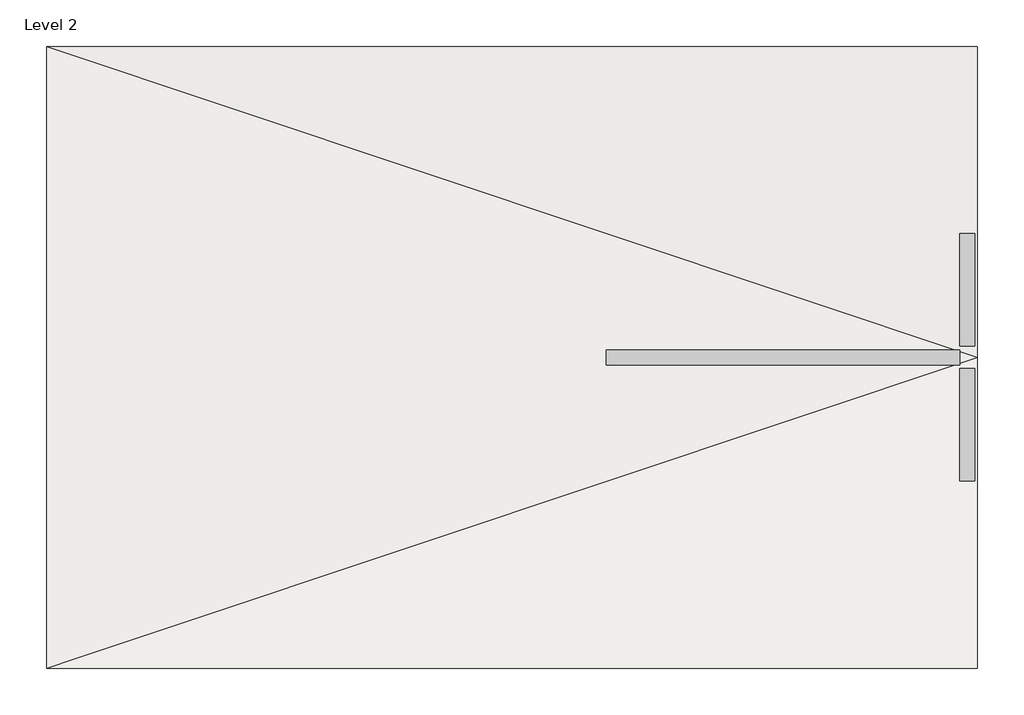
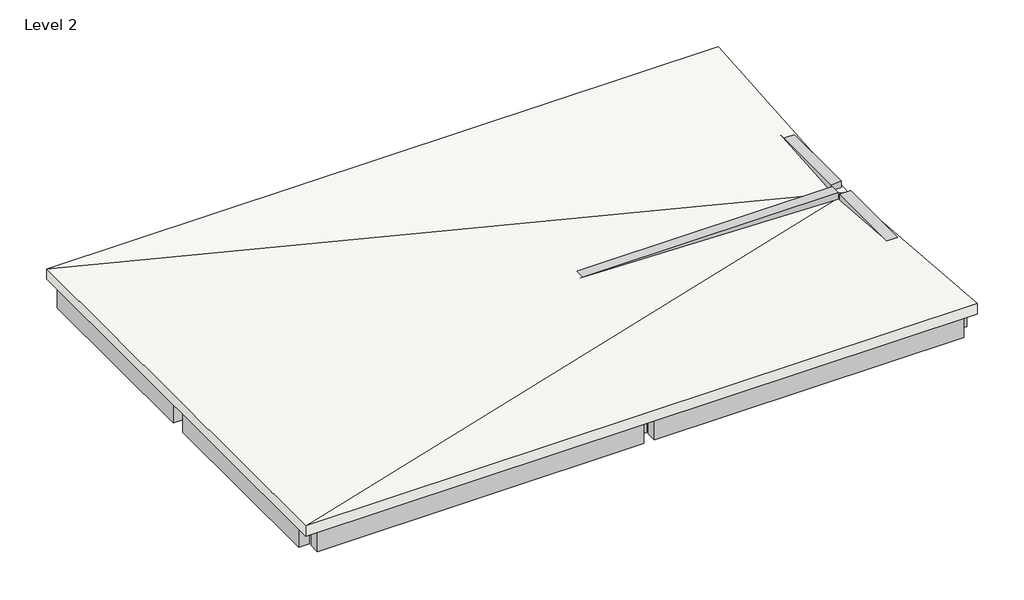
# One storey: 12 beams, 1 slab.
"""IFC4 building model written with IfcOpenShell, lengths in millimetres."""

from ifc_helpers import new_model, si_unit, frame, origin, place, context, project, spatial, polyline, outline, extrude, faceted_brep, element, save

model = new_model("IFC4")

# Units and contexts
model_context = context("Model", 3, world=origin())
ifc_project = project(units=[si_unit("LENGTHUNIT", "METRE", prefix="MILLI")], contexts=[model_context])

# Site, building, storey
site = spatial("IfcSite", under=ifc_project)
building = spatial("IfcBuilding", under=site)
storey = spatial("IfcBuildingStorey", under=building, Name="Level 2", Elevation=3000.0)

# Beams
placement = place(None, origin())
element("IfcBeam", 1, ObjectType="M_Concrete-Rectangular Beam : 300 x 600mm", at=placement, inside=storey, context=model_context, shape_type="SweptSolid", body=[
    extrude(outline(polyline([(-10066.2331694, 6934.139564), (-10066.2331694, 7234.139564), (-1053.8433988, 7234.139564), (-1053.8433988, 6934.139564), (-10066.2331694, 6934.139564)])), frame((0.0, 0.0, 2100.0), z_axis=(0.0, 0.0, 1.0), x_axis=(1.0, 0.0, 0.0)), (0.0, 0.0, 1.0), 600.0),
])
element("IfcBeam", 2, ObjectType="M_Concrete-Rectangular Beam : 300 x 600mm", at=placement, inside=storey, context=model_context, shape_type="SweptSolid", body=[
    extrude(outline(polyline([(-753.8433988, 6934.139564), (-753.8433988, 7234.139564), (7792.9268832, 7234.139564), (7792.9268832, 6934.139564), (-753.8433988, 6934.139564)])), frame((0.0, 0.0, 2100.0), z_axis=(0.0, 0.0, 1.0), x_axis=(1.0, 0.0, 0.0)), (0.0, 0.0, 1.0), 600.0),
])
element("IfcBeam", 3, ObjectType="M_Concrete-Rectangular Beam : 300 x 600mm", at=placement, inside=storey, context=model_context, shape_type="SweptSolid", body=[
    extrude(outline(polyline([(-10066.2331694, 934.139564), (-10066.2331694, 1234.139564), (-1053.8433988, 1234.139564), (-1053.8433988, 934.139564), (-10066.2331694, 934.139564)])), frame((0.0, 0.0, 2100.0), z_axis=(0.0, 0.0, 1.0), x_axis=(1.0, 0.0, 0.0)), (0.0, 0.0, 1.0), 600.0),
])
element("IfcBeam", 4, ObjectType="M_Concrete-Rectangular Beam : 300 x 600mm", at=placement, inside=storey, context=model_context, shape_type="SweptSolid", body=[
    extrude(outline(polyline([(-753.8433988, 934.139564), (-753.8433988, 1234.139564), (7792.9268832, 1234.139564), (7792.9268832, 934.139564), (-753.8433988, 934.139564)])), frame((0.0, 0.0, 2100.0), z_axis=(0.0, 0.0, 1.0), x_axis=(1.0, 0.0, 0.0)), (0.0, 0.0, 1.0), 600.0),
])
element("IfcBeam", 5, ObjectType="M_Concrete-Rectangular Beam : 300 x 600mm", at=placement, inside=storey, context=model_context, shape_type="SweptSolid", body=[
    extrude(outline(polyline([(-10066.2331694, -5065.860436), (-10066.2331694, -4765.860436), (-1053.8433988, -4765.860436), (-1053.8433988, -5065.860436), (-10066.2331694, -5065.860436)])), frame((0.0, 0.0, 2100.0), z_axis=(0.0, 0.0, 1.0), x_axis=(1.0, 0.0, 0.0)), (0.0, 0.0, 1.0), 600.0),
])
element("IfcBeam", 6, ObjectType="M_Concrete-Rectangular Beam : 300 x 600mm", at=placement, inside=storey, context=model_context, shape_type="SweptSolid", body=[
    extrude(outline(polyline([(-753.8433988, -5065.860436), (-753.8433988, -4765.860436), (7792.9268832, -4765.860436), (7792.9268832, -5065.860436), (-753.8433988, -5065.860436)])), frame((0.0, 0.0, 2100.0), z_axis=(0.0, 0.0, 1.0), x_axis=(1.0, 0.0, 0.0)), (0.0, 0.0, 1.0), 600.0),
])
element("IfcBeam", 7, ObjectType="M_Concrete-Rectangular Beam : 300 x 600mm", at=placement, inside=storey, context=model_context, shape_type="SweptSolid", body=[
    extrude(outline(polyline([(-10066.2331694, 1309.139564), (-10366.2331694, 1309.139564), (-10366.2331694, 6859.139564), (-10066.2331694, 6859.139564), (-10066.2331694, 1309.139564)])), frame((0.0, 0.0, 2100.0), z_axis=(0.0, 0.0, 1.0), x_axis=(1.0, 0.0, 0.0)), (0.0, 0.0, 1.0), 600.0),
])
element("IfcBeam", 8, ObjectType="M_Concrete-Rectangular Beam : 300 x 600mm", at=placement, inside=storey, context=model_context, shape_type="SweptSolid", body=[
    extrude(outline(polyline([(-10066.2331694, -4690.860436), (-10366.2331694, -4690.860436), (-10366.2331694, 859.139564), (-10066.2331694, 859.139564), (-10066.2331694, -4690.860436)])), frame((0.0, 0.0, 2100.0), z_axis=(0.0, 0.0, 1.0), x_axis=(1.0, 0.0, 0.0)), (0.0, 0.0, 1.0), 600.0),
])
element("IfcBeam", 9, ObjectType="M_Concrete-Rectangular Beam : 300 x 600mm", at=placement, inside=storey, context=model_context, shape_type="SweptSolid", body=[
    extrude(outline(polyline([(-753.8433988, 1309.139564), (-1053.8433988, 1309.139564), (-1053.8433988, 6859.139564), (-753.8433988, 6859.139564), (-753.8433988, 1309.139564)])), frame((0.0, 0.0, 2100.0), z_axis=(0.0, 0.0, 1.0), x_axis=(1.0, 0.0, 0.0)), (0.0, 0.0, 1.0), 600.0),
])
element("IfcBeam", 10, ObjectType="M_Concrete-Rectangular Beam : 300 x 600mm", at=placement, inside=storey, context=model_context, shape_type="SweptSolid", body=[
    extrude(outline(polyline([(-753.8433988, -4690.860436), (-1053.8433988, -4690.860436), (-1053.8433988, 859.139564), (-753.8433988, 859.139564), (-753.8433988, -4690.860436)])), frame((0.0, 0.0, 2100.0), z_axis=(0.0, 0.0, 1.0), x_axis=(1.0, 0.0, 0.0)), (0.0, 0.0, 1.0), 600.0),
])
element("IfcBeam", 11, ObjectType="M_Concrete-Rectangular Beam : 300 x 600mm", at=placement, inside=storey, context=model_context, shape_type="SweptSolid", body=[
    extrude(outline(polyline([(8092.9268832, 1309.139564), (7792.9268832, 1309.139564), (7792.9268832, 6859.139564), (8092.9268832, 6859.139564), (8092.9268832, 1309.139564)])), frame((0.0, 0.0, 2100.0), z_axis=(0.0, 0.0, 1.0), x_axis=(1.0, 0.0, 0.0)), (0.0, 0.0, 1.0), 600.0),
])
element("IfcBeam", 12, ObjectType="M_Concrete-Rectangular Beam : 300 x 600mm", at=placement, inside=storey, context=model_context, shape_type="SweptSolid", body=[
    extrude(outline(polyline([(8092.9268832, -4690.860436), (7792.9268832, -4690.860436), (7792.9268832, 859.139564), (8092.9268832, 859.139564), (8092.9268832, -4690.860436)])), frame((0.0, 0.0, 2100.0), z_axis=(0.0, 0.0, 1.0), x_axis=(1.0, 0.0, 0.0)), (0.0, 0.0, 1.0), 600.0),
])

# Slab
element("IfcSlab", 13, ObjectType="300mm Concrete", at=placement, inside=storey, context=model_context, shape_type="Brep", body=[
    faceted_brep([(8142.9268832, -5115.860436, 2700.0), (8142.9268832, -5115.860436, 3000.0), (-10416.2331694, -5115.860436, 3000.0), (-10416.2331694, -5115.860436, 2700.0), (-10416.2331694, 7284.139564, 3000.0), (-10416.2331694, 7284.139564, 2700.0), (8142.9268832, 7284.139564, 3000.0), (8142.9268832, 7284.139564, 2700.0), (8142.9268832, 1084.139564, 2500.0), (8142.9268832, 1084.139564, 2200.0)], [[[0, 1, 2, 3]], [[3, 2, 4, 5]], [[5, 4, 6, 7]], [[7, 6, 8, 1, 0, 9]], [[4, 2, 8]], [[6, 4, 8]], [[2, 1, 8]], [[5, 9, 3]], [[7, 9, 5]], [[3, 9, 0]]]),
])

save(model, "model.ifc")
